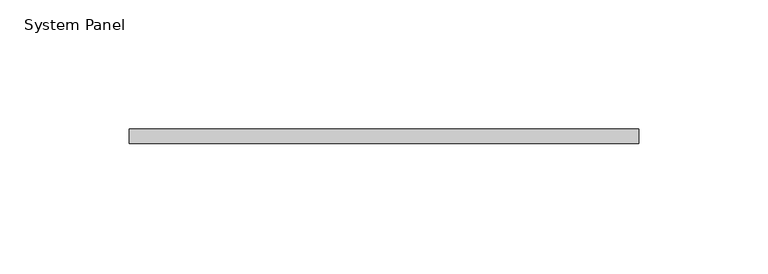
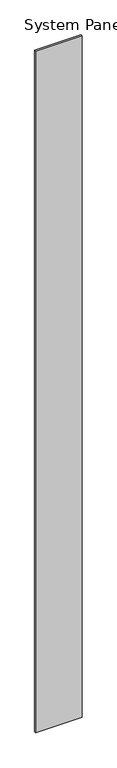
"""IFC4 building model written with IfcOpenShell, lengths in millimetres: plate geometry, System Panel."""

from ifc_helpers import new_model, si_unit, origin, origin_with_axes, place, context, project, spatial, polyline, outline, extrude, source, transform, mapped, element, save


def system_panel_c3d85aeb(model_context):
    return source(origin(), model_context, "Body", "SweptSolid", [
        extrude(outline(polyline([(98.425, 0.0), (-98.425, 0.0), (-98.425, 5.55625), (98.425, 5.55625), (98.425, 0.0)])), origin_with_axes(), (0.0, 0.0, 1.0), 3048.0),
    ])


if __name__ == "__main__":
    model = new_model("IFC4")
    model_context = context("Model", 3, world=origin())
    ifc_project = project(units=[si_unit("LENGTHUNIT", "METRE", prefix="MILLI")], contexts=[model_context])
    site = spatial("IfcSite", under=ifc_project)
    building = spatial("IfcBuilding", under=site)
    placement = place(None, origin())
    system_panel_shape = system_panel_c3d85aeb(model_context)
    element("IfcPlate", 1, ObjectType="System Panel", at=placement, inside=building, context=model_context, shape_type="MappedRepresentation", body=[
        mapped(system_panel_shape, transform((0.0, 0.0, 0.0), x_axis=(1.0, 0.0, 0.0), y_axis=(0.0, 1.0, 0.0), z_axis=(0.0, 0.0, 1.0))),
    ])
    save(model, "model.ifc")
